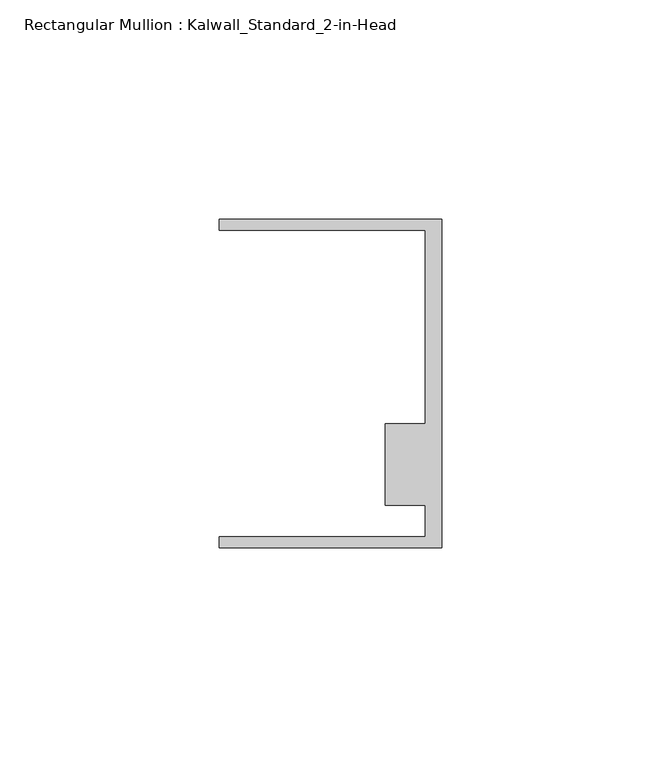
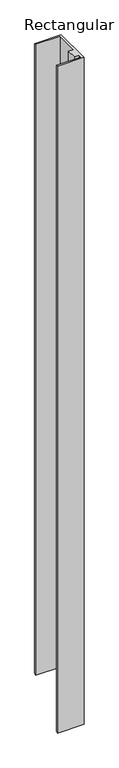
"""IFC4 building model written with IfcOpenShell, lengths in millimetres: member geometry, Rectangular Mullion : Kalwall_Standard_2-in-Head."""

from ifc_helpers import new_model, si_unit, origin, place, context, project, spatial, faceted_brep, source, transform, mapped, element, save


def rectangular_mullion_kalwall_standard_2_in_head_d489eed3(model_context):
    return source(origin(), model_context, "Body", "Brep", [
        faceted_brep([(0.0, -37.5776386, 0.0), (0.0, 37.5023614, 0.0), (-50.8, 37.5023614, 0.0), (-50.8, 34.9623614, 0.0), (-3.7084, 34.9623614, 0.0), (-3.7084, -9.1879886, 0.0), (-12.8272539, -9.1879886, 0.0), (-12.8272539, -27.8888568, 0.0), (-3.7084, -27.8888568, 0.0), (-3.7084, -35.0376386, 0.0), (-50.8, -35.0376386, 0.0), (-50.8, -37.5776386, 0.0), (0.0, -37.5776386, -1347.3296389), (0.0, 37.5023614, -1272.2496389), (-50.8, 37.5023614, -1272.2496389), (-50.8, 34.9623614, -1274.7896389), (-3.7084, 34.9623614, -1274.7896389), (-3.7084, -9.1879886, -1318.9399889), (-12.8272539, -9.1879886, -1318.9399889), (-12.8272539, -27.8888568, -1337.6408571), (-3.7084, -27.8888568, -1337.6408571), (-3.7084, -35.0376386, -1344.7896389), (-50.8, -35.0376386, -1344.7896389), (-50.8, -37.5776386, -1347.3296389)], [[[0, 1, 2, 3, 4, 5, 6, 7, 8, 9, 10, 11]], [[1, 0, 12, 13]], [[2, 1, 13, 14]], [[3, 2, 14, 15]], [[4, 3, 15, 16]], [[5, 4, 16, 17]], [[6, 5, 17, 18]], [[7, 6, 18, 19]], [[8, 7, 19, 20]], [[9, 8, 20, 21]], [[10, 9, 21, 22]], [[11, 10, 22, 23]], [[0, 11, 23, 12]], [[12, 23, 22, 21, 20, 19, 18, 17, 16, 15, 14, 13]]]),
    ])


if __name__ == "__main__":
    model = new_model("IFC4")
    model_context = context("Model", 3, world=origin())
    ifc_project = project(units=[si_unit("LENGTHUNIT", "METRE", prefix="MILLI")], contexts=[model_context])
    site = spatial("IfcSite", under=ifc_project)
    building = spatial("IfcBuilding", under=site)
    placement = place(None, origin())
    rectangular_mullion_kalwall_standard_2_in_head_shape = rectangular_mullion_kalwall_standard_2_in_head_d489eed3(model_context)
    element("IfcMember", 1, ObjectType="Rectangular Mullion : Kalwall_Standard_2-in-Head", at=placement, inside=building, context=model_context, shape_type="MappedRepresentation", body=[
        mapped(rectangular_mullion_kalwall_standard_2_in_head_shape, transform((0.0, 0.0, 0.0), x_axis=(1.0, 0.0, 0.0), y_axis=(0.0, 1.0, 0.0), z_axis=(0.0, 0.0, 1.0))),
    ])
    save(model, "model.ifc")
